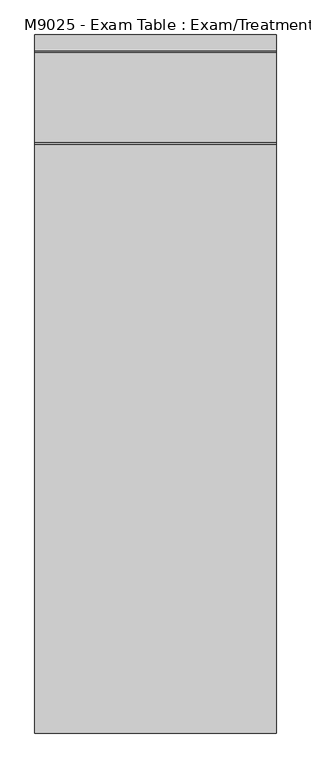
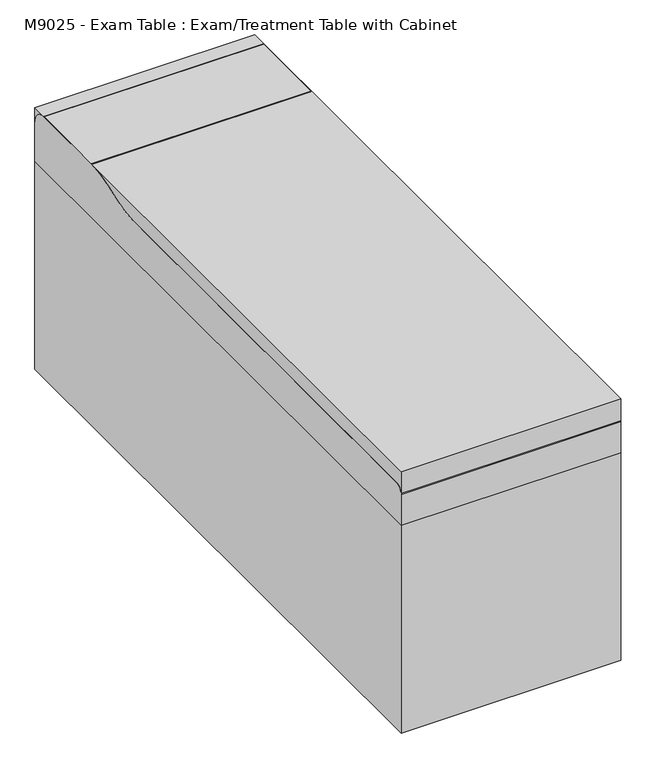
"""IFC4 building model written with IfcOpenShell, lengths in millimetres: proxy geometry, M9025 - Exam Table : Exam/Treatment Table with Cabinet."""

from ifc_helpers import new_model, si_unit, point, frame, frame_2d, origin, origin_with_axes, place, context, project, spatial, polyline, circle_curve, trimmed, segment, composite_curve, outline, extrude, source, transform, mapped, element, save


def m9025_exam_table_exam_treatment_table_with_cabinet_d3b43cc2(model_context):
    return source(origin(), model_context, "Body", "SweptSolid", [
        extrude(outline(polyline([(-292.1, -171.45), (-292.1, -679.45), (-304.8, -679.45), (-304.8, -171.45), (-292.1, -171.45)])), frame((0.0, 0.0, 527.05), z_axis=(0.0, 0.0, 1.0), x_axis=(1.0, 0.0, 0.0)), (0.0, 0.0, 1.0), 152.4),
        extrude(outline(polyline([(-292.1, -171.45), (-292.1, -679.45), (-304.8, -679.45), (-304.8, -171.45), (-292.1, -171.45)])), frame((0.0, 0.0, 317.5), z_axis=(0.0, 0.0, 1.0), x_axis=(1.0, 0.0, 0.0)), (0.0, 0.0, 1.0), 203.2),
        extrude(outline(polyline([(-292.1, -171.45), (-292.1, -679.45), (-304.8, -679.45), (-304.8, -171.45), (-292.1, -171.45)])), frame((0.0, 0.0, 107.95), z_axis=(0.0, 0.0, 1.0), x_axis=(1.0, 0.0, 0.0)), (0.0, 0.0, 1.0), 203.2),
        extrude(outline(polyline([(-292.1, 679.45), (-292.1, 171.45), (-304.8, 171.45), (-304.8, 679.45), (-292.1, 679.45)])), frame((0.0, 0.0, 527.05), z_axis=(0.0, 0.0, 1.0), x_axis=(1.0, 0.0, 0.0)), (0.0, 0.0, 1.0), 152.4),
        extrude(outline(polyline([(-292.1, 679.45), (-292.1, 171.45), (-304.8, 171.45), (-304.8, 679.45), (-292.1, 679.45)])), frame((0.0, 0.0, 317.5), z_axis=(0.0, 0.0, 1.0), x_axis=(1.0, 0.0, 0.0)), (0.0, 0.0, 1.0), 203.2),
        extrude(outline(polyline([(-292.1, 679.45), (-292.1, 171.45), (-304.8, 171.45), (-304.8, 679.45), (-292.1, 679.45)])), frame((0.0, 0.0, 107.95), z_axis=(0.0, 0.0, 1.0), x_axis=(1.0, 0.0, 0.0)), (0.0, 0.0, 1.0), 203.2),
        extrude(outline(polyline([(-292.1, -171.45), (-292.1, -679.45), (-304.8, -679.45), (-304.8, -171.45), (-292.1, -171.45)])), origin_with_axes(), (0.0, 0.0, 1.0), 101.6),
        extrude(outline(polyline([(292.1, 685.8), (292.1, -685.8), (-292.1, -685.8), (-292.1, 685.8), (292.1, 685.8)])), origin_with_axes(), (0.0, 0.0, 1.0), 685.8),
        extrude(outline(composite_curve([segment(polyline([(990.6, 685.8), (-990.6, 685.8), (-990.6, 787.4)]), True, "CONTINUOUS"), segment(trimmed(circle_curve(frame_2d((-965.2, 787.4)), 25.4), [point((-990.6, 787.4))], [point((-965.2, 812.8))], False, "CARTESIAN"), True, "CONTINUOUS"), segment(polyline([(-965.2, 812.8), (458.540398, 812.8)]), True, "CONTINUOUS"), segment(trimmed(circle_curve(frame_2d((458.540398, 1069.6230592)), 256.8230592), [point((458.540398, 812.8))], [point((553.9220876, 831.1688351))], True, "CARTESIAN"), True, "CONTINUOUS"), segment(polyline([(553.9220876, 831.1688351), (588.4472662, 844.9789065)]), True, "CONTINUOUS"), segment(trimmed(circle_curve(frame_2d((685.1388288, 603.25)), 260.35), [point((588.4472662, 844.9789065))], [point((685.1388288, 863.6))], False, "CARTESIAN"), True, "CONTINUOUS"), segment(polyline([(685.1388288, 863.6), (939.8, 863.6)]), True, "CONTINUOUS"), segment(trimmed(circle_curve(frame_2d((939.8, 812.8)), 50.8), [point((939.8, 863.6))], [point((990.6, 812.8))], False, "CARTESIAN"), True, "CONTINUOUS"), segment(polyline([(990.6, 812.8), (990.6, 685.8)]), True, "CONTINUOUS")], self_intersect=False)), frame((-342.9, 0.0, 0.0), z_axis=(1.0, 0.0, 0.0), x_axis=(0.0, 1.0, 0.0)), (0.0, 0.0, 1.0), 685.8),
        extrude(outline(polyline([(342.9, 990.6), (342.9, -990.6), (-342.9, -990.6), (-342.9, 990.6), (342.9, 990.6)])), origin_with_axes(), (0.0, 0.0, 1.0), 863.6),
        extrude(outline(polyline([(304.8, -711.2), (304.8, -736.6), (-304.8, -736.6), (-304.8, -711.2), (304.8, -711.2)])), frame((0.0, 0.0, 406.4), z_axis=(0.0, 0.0, 1.0), x_axis=(1.0, 0.0, 0.0)), (0.0, 0.0, 1.0), 25.4),
        extrude(outline(polyline([(304.8, 736.2655691), (304.8, 711.2), (-304.8, 711.2), (-304.8, 736.2655691), (304.8, 736.2655691)])), frame((0.0, 0.0, 406.4), z_axis=(0.0, 0.0, 1.0), x_axis=(1.0, 0.0, 0.0)), (0.0, 0.0, 1.0), 25.4),
        extrude(outline(polyline([(292.1, -685.8), (292.1, -711.2), (266.7, -711.2), (266.7, -685.8), (292.1, -685.8)])), origin_with_axes(), (0.0, 0.0, 1.0), 685.8),
        extrude(outline(polyline([(-292.1, -685.8), (-266.7, -685.8), (-266.7, -711.2), (-292.1, -711.2), (-292.1, -685.8)])), origin_with_axes(), (0.0, 0.0, 1.0), 685.8),
        extrude(outline(polyline([(292.1, 685.8), (266.7, 685.8), (266.7, 711.2), (292.1, 711.2), (292.1, 685.8)])), origin_with_axes(), (0.0, 0.0, 1.0), 685.8),
        extrude(outline(polyline([(-292.1, 685.8), (-292.1, 711.2), (-266.7, 711.2), (-266.7, 685.8), (-292.1, 685.8)])), origin_with_axes(), (0.0, 0.0, 1.0), 685.8),
    ])


if __name__ == "__main__":
    model = new_model("IFC4")
    model_context = context("Model", 3, world=origin())
    ifc_project = project(units=[si_unit("LENGTHUNIT", "METRE", prefix="MILLI")], contexts=[model_context])
    site = spatial("IfcSite", under=ifc_project)
    building = spatial("IfcBuilding", under=site)
    placement = place(None, origin())
    m9025_exam_table_exam_treatment_table_with_cabinet_shape = m9025_exam_table_exam_treatment_table_with_cabinet_d3b43cc2(model_context)
    element("IfcBuildingElementProxy", 1, Name="M9025 - Exam Table : Exam/Treatment Table with Cabinet", ObjectType="M9025 - Exam Table : Exam/Treatment Table with Cabinet", at=placement, inside=building, context=model_context, shape_type="MappedRepresentation", body=[
        mapped(m9025_exam_table_exam_treatment_table_with_cabinet_shape, transform((0.0, 0.0, 0.0), x_axis=(1.0, 0.0, 0.0), y_axis=(0.0, 1.0, 0.0), z_axis=(0.0, 0.0, 1.0))),
    ])
    save(model, "model.ifc")
